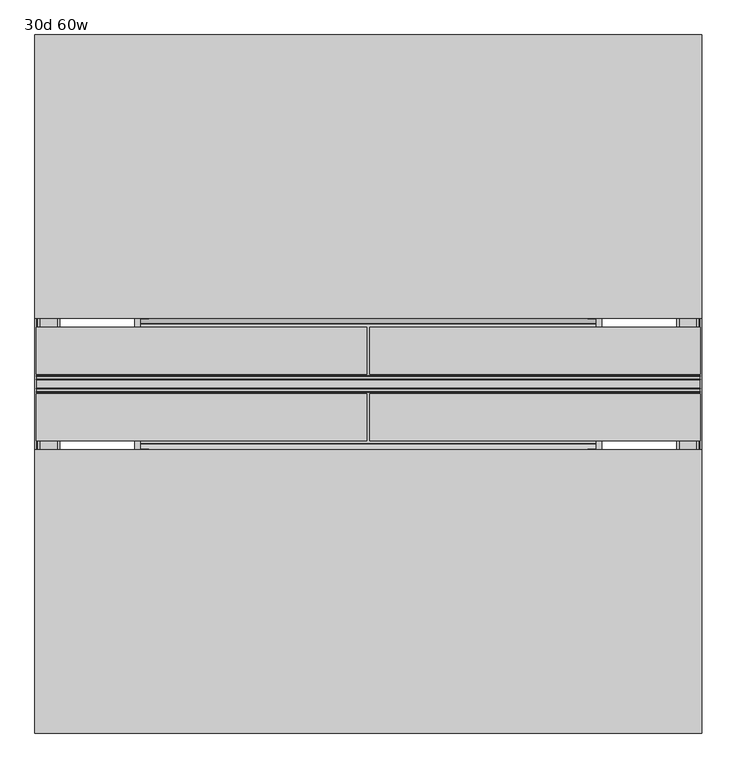
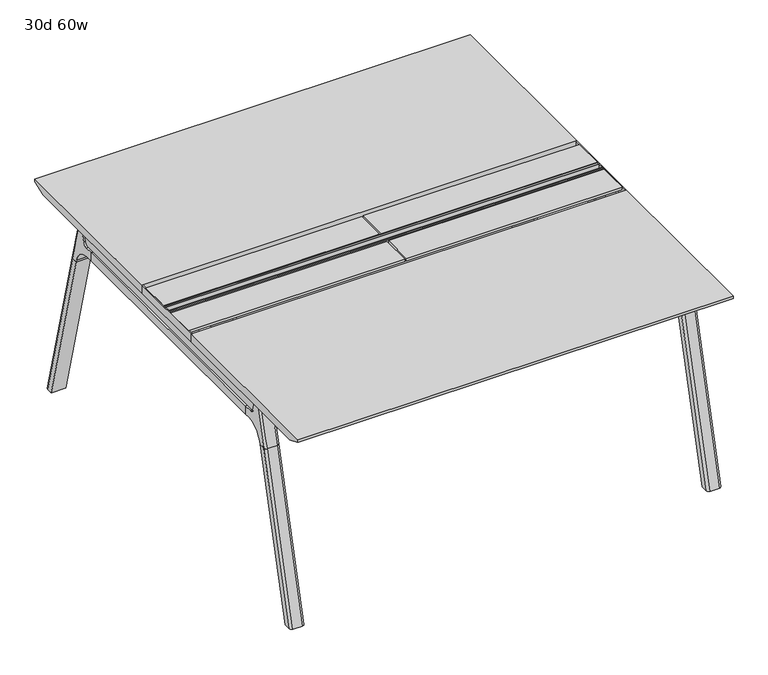
"""IFC4 building model written with IfcOpenShell, lengths in millimetres: furniture geometry, 30d 60w."""

from ifc_helpers import new_model, si_unit, point, frame, frame_2d, origin, place, context, project, spatial, polyline, circle_curve, ellipse_curve, trimmed, segment, composite_curve, outline, extrude, source, transform, mapped, element, save
from ifc_brep_helpers import plane_surface, cylinder_surface, revolved_surface, advanced_brep


def furniture_30d_60w_3e957220(model_context):
    return source(origin(), model_context, "Body", "SolidModel", [
        extrude(outline(polyline([(348.9784469, 559.4636683), (352.756725, 557.2647146), (352.756725, 549.3667827), (336.8817293, 521.8704736), (62.6252238, 521.8704736), (46.7502281, 549.3667827), (46.7502281, 557.2647146), (50.5285062, 559.4636683), (35.4662901, 627.7843353), (364.040663, 627.7843353), (348.9784469, 559.4636683)])), frame((736.6, 0.0, 0.0), z_axis=(1.0, 0.0, 0.0), x_axis=(0.0, 1.0, 0.0)), (0.0, 0.0, 1.0), 12.7),
        extrude(outline(polyline([(348.9784469, 559.4636683), (352.756725, 557.2647146), (352.756725, 549.3667827), (336.8817293, 521.8704736), (62.6252238, 521.8704736), (46.7502281, 549.3667827), (46.7502281, 557.2647146), (50.5285062, 559.4636683), (35.4662901, 627.7843353), (364.040663, 627.7843353), (348.9784469, 559.4636683)])), frame((-317.5, 0.0, 0.0), z_axis=(1.0, 0.0, 0.0), x_axis=(0.0, 1.0, 0.0)), (0.0, 0.0, 1.0), 12.7),
        extrude(outline(polyline([(18.0090763, 698.5), (20.404074, 696.1050023), (50.5285062, 559.4636683), (49.1186716, 559.1528512), (19.0070753, 695.7359626), (17.4495292, 697.2935087), (-3.7767266, 697.2935087), (-3.7767266, 698.5), (18.0090763, 698.5)])), frame((-317.5, 0.0, 0.0), z_axis=(1.0, 0.0, 0.0), x_axis=(0.0, 1.0, 0.0)), (0.0, 0.0, 1.0), 31.8008024),
        extrude(outline(polyline([(381.4978768, 698.5), (403.2836797, 698.5), (403.2836797, 697.2935087), (382.0574239, 697.2935087), (380.4998778, 695.7359626), (350.3882815, 559.1528512), (348.9784469, 559.4636683), (379.1028791, 696.1050023), (381.4978768, 698.5)])), frame((-317.5, 0.0, 0.0), z_axis=(1.0, 0.0, 0.0), x_axis=(0.0, 1.0, 0.0)), (0.0, 0.0, 1.0), 31.8008024),
        extrude(outline(polyline([(18.0090763, 698.5), (20.404074, 696.1050023), (50.5285062, 559.4636683), (49.1186716, 559.1528512), (19.0070753, 695.7359626), (17.4495292, 697.2935087), (-3.7767266, 697.2935087), (-3.7767266, 698.5), (18.0090763, 698.5)])), frame((717.4991976, 0.0, 0.0), z_axis=(1.0, 0.0, 0.0), x_axis=(0.0, 1.0, 0.0)), (0.0, 0.0, 1.0), 31.8008024),
        extrude(outline(polyline([(381.4978768, 698.5), (403.2836797, 698.5), (403.2836797, 697.2935087), (382.0574239, 697.2935087), (380.4998778, 695.7359626), (350.3882815, 559.1528512), (348.9784469, 559.4636683), (379.1028791, 696.1050023), (381.4978768, 698.5)])), frame((717.4991976, 0.0, 0.0), z_axis=(1.0, 0.0, 0.0), x_axis=(0.0, 1.0, 0.0)), (0.0, 0.0, 1.0), 31.8008024),
        extrude(outline(polyline([(353.550475, 557.5934966), (353.550475, 549.2622828), (353.2714314, 548.2208856), (338.0201457, 521.8048744), (336.216395, 520.7634772), (63.2905581, 520.7634772), (61.4868074, 521.8048744), (46.2355217, 548.2208856), (45.9564781, 549.2622828), (45.9564781, 557.5934966), (47.9884761, 559.6254947), (48.5497421, 559.0642287), (46.7502281, 557.2647146), (46.7502281, 549.3667827), (46.9751786, 548.5272622), (62.0678729, 522.3859395), (63.503243, 521.5572272), (336.0037101, 521.5572272), (337.4390802, 522.3859395), (352.5317745, 548.5272622), (352.756725, 549.3667827), (352.756725, 557.2647146), (350.957211, 559.0642287), (351.518477, 559.6254947), (353.550475, 557.5934966)])), frame((-317.4492037, 0.0, 0.0), z_axis=(1.0, 0.0, 0.0), x_axis=(0.0, 1.0, 0.0)), (0.0, 0.0, 1.0), 1066.7492037),
        extrude(outline(polyline([(218.8034766, 715.9625), (180.7034766, 715.9625), (180.7034766, 741.3625), (182.2909766, 741.3625), (182.2909766, 720.725), (188.6409766, 720.725), (188.6409766, 741.3625), (190.2284766, 741.3625), (190.2284766, 717.55), (209.2784766, 717.55), (209.2784766, 741.3625), (210.8659766, 741.3625), (210.8659766, 720.725), (217.2159766, 720.725), (217.2159766, 741.3625), (218.8034766, 741.3625), (218.8034766, 715.9625)])), frame((-542.925, 0.0, 0.0), z_axis=(1.0, 0.0, 0.0), x_axis=(0.0, 1.0, 0.0)), (0.0, 0.0, 1.0), 1517.65),
        extrude(outline(composite_curve([segment(polyline([(-328.0902734, 711.2), (727.5972266, 711.2), (718.5391258, 677.3947076)]), True, "CONTINUOUS"), segment(trimmed(circle_curve(frame_2d((703.2050533, 681.5034599)), 15.875), [point((718.5391258, 677.3947076))], [point((703.2050533, 665.6284599))], False, "CARTESIAN"), True, "CONTINUOUS"), segment(polyline([(703.2050533, 665.6284599), (-303.6981001, 665.6284599)]), True, "CONTINUOUS"), segment(trimmed(circle_curve(frame_2d((-303.6981001, 681.5034599)), 15.875), [point((-303.6981001, 665.6284599))], [point((-319.0321726, 677.3947076))], False, "CARTESIAN"), True, "CONTINUOUS"), segment(polyline([(-319.0321726, 677.3947076), (-328.0902734, 711.2)]), True, "CONTINUOUS")], self_intersect=False)), frame((927.1, 0.0, 0.0), z_axis=(1.0, 0.0, 0.0), x_axis=(0.0, 1.0, 0.0)), (0.0, 0.0, 1.0), 38.1),
        extrude(outline(polyline([(971.55, -267.7652734), (920.75, -267.7652734), (920.75, 667.2722266), (971.55, 667.2722266), (971.55, -267.7652734)])), frame((0.0, 0.0, 635.6476591), z_axis=(0.0, 0.0, 1.0), x_axis=(1.0, 0.0, 0.0)), (0.0, 0.0, 1.0), 29.9808008),
        extrude(outline(composite_curve([segment(polyline([(-328.0902734, 711.2), (727.5972266, 711.2), (718.5391258, 677.3947076)]), True, "CONTINUOUS"), segment(trimmed(circle_curve(frame_2d((703.2050533, 681.5034599)), 15.875), [point((718.5391258, 677.3947076))], [point((703.2050533, 665.6284599))], False, "CARTESIAN"), True, "CONTINUOUS"), segment(polyline([(703.2050533, 665.6284599), (-303.6981001, 665.6284599)]), True, "CONTINUOUS"), segment(trimmed(circle_curve(frame_2d((-303.6981001, 681.5034599)), 15.875), [point((-303.6981001, 665.6284599))], [point((-319.0321726, 677.3947076))], False, "CARTESIAN"), True, "CONTINUOUS"), segment(polyline([(-319.0321726, 677.3947076), (-328.0902734, 711.2)]), True, "CONTINUOUS")], self_intersect=False)), frame((-533.4, 0.0, 0.0), z_axis=(1.0, 0.0, 0.0), x_axis=(0.0, 1.0, 0.0)), (0.0, 0.0, 1.0), 38.1),
        extrude(outline(polyline([(-488.95, -267.7652734), (-539.75, -267.7652734), (-539.75, 667.2722266), (-488.95, 667.2722266), (-488.95, -267.7652734)])), frame((0.0, 0.0, 635.6476591), z_axis=(0.0, 0.0, 1.0), x_axis=(1.0, 0.0, 0.0)), (0.0, 0.0, 1.0), 29.9808008),
        advanced_brep(
        [(920.75, 721.2935553, 711.2), (920.75, 742.7601017, 711.2), (920.75, 778.2087453, 576.6820411), (920.75, 757.1047754, 576.6820411), (920.75, 754.5465633, 586.2294189), (920.75, 690.1434588, 635.6476591), (920.75, 667.2722266, 635.6476591), (920.75, 667.2722266, 665.6284599), (920.75, 696.901382, 665.6284599), (920.75, 712.2354545, 677.3947076), (971.55, 757.1047754, 576.6820411), (971.55, 778.2087453, 576.6820411), (971.55, 742.7601017, 711.2), (971.55, 721.2935553, 711.2), (971.55, 712.2354545, 677.3947076), (971.55, 696.901382, 665.6284599), (971.55, 667.2722266, 665.6284599), (971.55, 667.2722266, 635.6476591), (971.55, 690.1434588, 635.6476591), (971.55, 754.5465633, 586.2294189), (965.2861838, 752.0149462, 711.2), (927.0138162, 752.0149462, 711.2), (930.275, 788.0589247, 576.6820411), (962.025, 788.0589247, 576.6820411)],
        [
            (0, 1),
            (1, 2),
            (2, 3),
            (3, 4),
            (4, 5, circle_curve(frame((920.75, 690.1434588, 568.9726591), z_axis=(1.0, 0.0, 0.0), x_axis=(0.0, 1.0, 0.0)), 66.675)),
            (5, 6),
            (6, 7),
            (7, 8),
            (8, 9, circle_curve(frame((920.75, 696.901382, 681.5034599), z_axis=(1.0, 0.0, 0.0), x_axis=(0.0, 1.0, 0.0)), 15.875)),
            (9, 0),
            (10, 11),
            (11, 12),
            (12, 13),
            (13, 14),
            (14, 15, circle_curve(frame((971.55, 696.901382, 681.5034599), z_axis=(-1.0, 0.0, 0.0), x_axis=(0.0, 1.0, 0.0)), 15.875)),
            (15, 16),
            (16, 17),
            (17, 18),
            (18, 19, circle_curve(frame((971.55, 690.1434588, 568.9726591), z_axis=(-1.0, 0.0, 0.0), x_axis=(0.0, 1.0, 0.0)), 66.675)),
            (19, 10),
            (12, 20, ellipse_curve(frame((962.025, 742.7601017, 711.2), z_axis=(0.0, 0.0, 1.0), x_axis=(0.0, 1.0, 0.0)), 9.8501793, 9.525)),
            (20, 21),
            (21, 1, ellipse_curve(frame((930.275, 742.7601017, 711.2), z_axis=(0.0, 0.0, 1.0), x_axis=(0.0, 1.0, 0.0)), 9.8501793, 9.525)),
            (0, 13),
            (9, 14),
            (8, 15),
            (7, 16),
            (6, 17),
            (5, 18),
            (4, 19),
            (3, 10),
            (2, 22, ellipse_curve(frame((930.275, 778.2087453, 576.6820411), z_axis=(0.0, 0.0, -1.0), x_axis=(0.0, 1.0, 0.0)), 9.8501793, 9.525)),
            (22, 23),
            (23, 11, ellipse_curve(frame((962.025, 778.2087453, 576.6820411), z_axis=(0.0, 0.0, -1.0), x_axis=(0.0, 1.0, 0.0)), 9.8501793, 9.525)),
            (20, 23, ellipse_curve(frame((962.025, 191.6892106, 2802.3641142), z_axis=(0.0, 0.9659258262890684, 0.2588190451025206), x_axis=(0.0, 0.2588190451025206, -0.9659258262890684)), 2304.1956354, 9.525)),
            (22, 21, ellipse_curve(frame((930.275, 191.6892106, 2802.3641142), z_axis=(0.0, 0.9659258262890684, 0.2588190451025206), x_axis=(0.0, 0.2588190451025206, -0.9659258262890684)), 2304.1956354, 9.525)),
        ],
        [
            plane_surface(frame((920.75, 752.0149462, 711.2), z_axis=(-1.0, 0.0, 0.0), x_axis=(0.0, -1.0, 0.0))),
            plane_surface(frame((971.55, 752.0149462, 711.2), z_axis=(1.0, 0.0, 0.0), x_axis=(0.0, 1.0, 0.0))),
            plane_surface(frame((920.75, 752.0149462, 711.2), z_axis=(0.0, 0.0, 1.0), x_axis=(1.0, 0.0, 0.0))),
            plane_surface(frame((920.75, 721.2935553, 711.2), z_axis=(0.0, -0.9659258262890683, 0.2588190451025207), x_axis=(1.0, 0.0, 0.0))),
            revolved_surface(polyline([(971.55, 712.776382, 681.5034599), (920.75, 712.776382, 681.5034599)]), (971.55, 696.901382, 681.5034599), (1.0, 0.0, 0.0)),
            plane_surface(frame((920.75, 696.901382, 665.6284599), z_axis=(0.0, 0.0, 1.0), x_axis=(1.0, 0.0, 0.0))),
            plane_surface(frame((920.75, 667.2722266, 665.6284599), z_axis=(0.0, -1.0, 0.0), x_axis=(1.0, 0.0, 0.0))),
            plane_surface(frame((920.75, 667.2722266, 635.6476591), z_axis=(0.0, 0.0, -1.0), x_axis=(1.0, 0.0, 0.0))),
            revolved_surface(polyline([(971.55, 756.8184587999999, 568.9726591), (920.75, 756.8184587999999, 568.9726591)]), (971.55, 690.1434588, 568.9726591), (1.0, 0.0, 0.0)),
            plane_surface(frame((920.75, 754.5465633, 586.2294189), z_axis=(0.0, -0.9659258262890693, -0.25881904510251696), x_axis=(1.0, 0.0, 0.0))),
            plane_surface(frame((920.75, 757.1047754, 576.6820411), z_axis=(0.0, 0.0, -1.0), x_axis=(1.0, 0.0, 0.0))),
            plane_surface(frame((920.75, 788.0589247, 576.6820411), z_axis=(0.0, 0.9659258262890684, 0.2588190451025206), x_axis=(1.0, 0.0, 0.0))),
            cylinder_surface(frame((930.275, 930.8176402, -2.4271979), z_axis=(0.0, 0.25482392474081483, -0.966987470125486), x_axis=(1.0, 0.0, 0.0)), 9.525),
            cylinder_surface(frame((962.025, 930.8176402, -2.4271979), z_axis=(0.0, 0.25482392474081483, -0.966987470125486), x_axis=(1.0, 0.0, 0.0)), 9.525),
        ],
        [
            (0, [[1, 2, 3, 4, 5, 6, 7, 8, 9, 10]]),
            (1, [[11, 12, 13, 14, 15, 16, 17, 18, 19, 20]]),
            (2, [[-13, 21, 22, 23, -1, 24]]),
            (3, [[25, -14, -24, -10]]),
            (4, [[26, -15, -25, -9]]),
            (5, [[27, -16, -26, -8]]),
            (6, [[28, -17, -27, -7]]),
            (7, [[29, -18, -28, -6]]),
            (8, [[30, -19, -29, -5]]),
            (9, [[31, -20, -30, -4]]),
            (10, [[-3, 32, 33, 34, -11, -31]]),
            (11, [[35, -33, 36, -22]]),
            (12, [[-23, -36, -32, -2]]),
            (13, [[-34, -35, -21, -12]]),
        ],
    ),
        advanced_brep(
        [(920.75, 757.1047754, 576.6820411), (920.75, 778.2087453, 576.6820411), (920.75, 930.1780165, 0.0), (920.75, 909.0740466, 0.0), (971.55, 909.0740466, 0.0), (971.55, 930.1780165, 0.0), (971.55, 778.2087453, 576.6820411), (971.55, 757.1047754, 576.6820411), (962.025, 788.0589247, 576.6820411), (930.275, 788.0589247, 576.6820411), (930.275, 940.0281958, 0.0), (962.025, 940.0281958, 0.0)],
        [
            (0, 1),
            (1, 2),
            (2, 3),
            (3, 0),
            (4, 5),
            (5, 6),
            (6, 7),
            (7, 4),
            (6, 8, ellipse_curve(frame((962.025, 778.2087453, 576.6820411), z_axis=(0.0, 0.0, 1.0), x_axis=(0.0, 1.0, 0.0)), 9.8501793, 9.525)),
            (8, 9),
            (9, 1, ellipse_curve(frame((930.275, 778.2087453, 576.6820411), z_axis=(0.0, 0.0, 1.0), x_axis=(0.0, 1.0, 0.0)), 9.8501793, 9.525)),
            (0, 7),
            (3, 4),
            (2, 10, ellipse_curve(frame((930.275, 930.1780165, 0.0), z_axis=(0.0, 0.0, -1.0), x_axis=(0.0, 1.0, 0.0)), 9.8501793, 9.525)),
            (10, 11),
            (11, 5, ellipse_curve(frame((962.025, 930.1780165, 0.0), z_axis=(0.0, 0.0, -1.0), x_axis=(0.0, 1.0, 0.0)), 9.8501793, 9.525)),
            (8, 11),
            (10, 9),
        ],
        [
            plane_surface(frame((920.75, 788.0589247, 576.6820411), z_axis=(-1.0, 0.0, 0.0), x_axis=(0.0, -1.0, 0.0))),
            plane_surface(frame((971.55, 788.0589247, 576.6820411), z_axis=(1.0, 0.0, 0.0), x_axis=(0.0, 1.0, 0.0))),
            plane_surface(frame((920.75, 788.0589247, 576.6820411), z_axis=(0.0, 0.0, 1.0), x_axis=(1.0, 0.0, 0.0))),
            plane_surface(frame((920.75, 757.1047754, 576.6820411), z_axis=(0.0, -0.9669874701254844, -0.2548239247408208), x_axis=(1.0, 0.0, 0.0))),
            plane_surface(frame((920.75, 909.0740466, 0.0), z_axis=(0.0, 0.0, -1.0), x_axis=(1.0, 0.0, 0.0))),
            plane_surface(frame((920.75, 940.0281958, 0.0), z_axis=(0.0, 0.9669874701254855, 0.2548239247408166), x_axis=(1.0, 0.0, 0.0))),
            cylinder_surface(frame((930.275, 930.8176402, -2.4271979), z_axis=(0.0, 0.25482392474081483, -0.966987470125486), x_axis=(1.0, 0.0, 0.0)), 9.525),
            cylinder_surface(frame((962.025, 930.8176402, -2.4271979), z_axis=(0.0, 0.25482392474081483, -0.966987470125486), x_axis=(1.0, 0.0, 0.0)), 9.525),
        ],
        [
            (0, [[1, 2, 3, 4]]),
            (1, [[5, 6, 7, 8]]),
            (2, [[-7, 9, 10, 11, -1, 12]]),
            (3, [[13, -8, -12, -4]]),
            (4, [[-3, 14, 15, 16, -5, -13]]),
            (5, [[17, -15, 18, -10]]),
            (6, [[-11, -18, -14, -2]]),
            (7, [[-16, -17, -9, -6]]),
        ],
    ),
        advanced_brep(
        [(971.55, -321.7866022, 711.2), (971.55, -343.2531486, 711.2), (971.55, -378.7017922, 576.6820411), (971.55, -357.5978223, 576.6820411), (971.55, -355.0396101, 586.2294189), (971.55, -290.6365057, 635.6476591), (971.55, -267.7652734, 635.6476591), (971.55, -267.7652734, 665.6284599), (971.55, -297.3944289, 665.6284599), (971.55, -312.7285014, 677.3947076), (920.75, -357.5978223, 576.6820411), (920.75, -378.7017922, 576.6820411), (920.75, -343.2531486, 711.2), (920.75, -321.7866022, 711.2), (920.75, -312.7285014, 677.3947076), (920.75, -297.3944289, 665.6284599), (920.75, -267.7652734, 665.6284599), (920.75, -267.7652734, 635.6476591), (920.75, -290.6365057, 635.6476591), (920.75, -355.0396101, 586.2294189), (927.0138162, -352.5079931, 711.2), (965.2861838, -352.5079931, 711.2), (962.025, -388.5519716, 576.6820411), (930.275, -388.5519716, 576.6820411)],
        [
            (0, 1),
            (1, 2),
            (2, 3),
            (3, 4),
            (4, 5, circle_curve(frame((971.55, -290.6365057, 568.9726591), z_axis=(-1.0, 0.0, 0.0), x_axis=(0.0, -1.0, 0.0)), 66.675)),
            (5, 6),
            (6, 7),
            (7, 8),
            (8, 9, circle_curve(frame((971.55, -297.3944289, 681.5034599), z_axis=(-1.0, 0.0, 0.0), x_axis=(0.0, -1.0, 0.0)), 15.875)),
            (9, 0),
            (10, 11),
            (11, 12),
            (12, 13),
            (13, 14),
            (14, 15, circle_curve(frame((920.75, -297.3944289, 681.5034599), z_axis=(1.0, 0.0, 0.0), x_axis=(0.0, -1.0, 0.0)), 15.875)),
            (15, 16),
            (16, 17),
            (17, 18),
            (18, 19, circle_curve(frame((920.75, -290.6365057, 568.9726591), z_axis=(1.0, 0.0, 0.0), x_axis=(0.0, -1.0, 0.0)), 66.675)),
            (19, 10),
            (12, 20, ellipse_curve(frame((930.275, -343.2531486, 711.2), z_axis=(0.0, 0.0, 1.0), x_axis=(0.0, -1.0, 0.0)), 9.8501793, 9.525)),
            (20, 21),
            (21, 1, ellipse_curve(frame((962.025, -343.2531486, 711.2), z_axis=(0.0, 0.0, 1.0), x_axis=(0.0, -1.0, 0.0)), 9.8501793, 9.525)),
            (0, 13),
            (9, 14),
            (8, 15),
            (7, 16),
            (6, 17),
            (5, 18),
            (4, 19),
            (3, 10),
            (2, 22, ellipse_curve(frame((962.025, -378.7017922, 576.6820411), z_axis=(0.0, 0.0, -1.0), x_axis=(0.0, -1.0, 0.0)), 9.8501793, 9.525)),
            (22, 23),
            (23, 11, ellipse_curve(frame((930.275, -378.7017922, 576.6820411), z_axis=(0.0, 0.0, -1.0), x_axis=(0.0, -1.0, 0.0)), 9.8501793, 9.525)),
            (20, 23, ellipse_curve(frame((930.275, 207.8177425, 2802.3641142), z_axis=(0.0, -0.9659258262890684, 0.2588190451025206), x_axis=(0.0, -0.2588190451025206, -0.9659258262890684)), 2304.1956354, 9.525)),
            (22, 21, ellipse_curve(frame((962.025, 207.8177425, 2802.3641142), z_axis=(0.0, -0.9659258262890684, 0.2588190451025206), x_axis=(0.0, -0.2588190451025206, -0.9659258262890684)), 2304.1956354, 9.525)),
        ],
        [
            plane_surface(frame((971.55, -352.5079931, 711.2), z_axis=(1.0, 0.0, 0.0), x_axis=(0.0, 1.0, 0.0))),
            plane_surface(frame((920.75, -352.5079931, 711.2), z_axis=(-1.0, 0.0, 0.0), x_axis=(0.0, -1.0, 0.0))),
            plane_surface(frame((971.55, -352.5079931, 711.2), z_axis=(0.0, 0.0, 1.0), x_axis=(-1.0, 0.0, 0.0))),
            plane_surface(frame((971.55, -321.7866022, 711.2), z_axis=(0.0, 0.9659258262890683, 0.2588190451025207), x_axis=(-1.0, 0.0, 0.0))),
            revolved_surface(polyline([(920.75, -313.2694289, 681.5034599), (971.55, -313.2694289, 681.5034599)]), (920.75, -297.3944289, 681.5034599), (-1.0, 0.0, 0.0)),
            plane_surface(frame((971.55, -297.3944289, 665.6284599), z_axis=(0.0, 0.0, 1.0), x_axis=(-1.0, 0.0, 0.0))),
            plane_surface(frame((971.55, -267.7652734, 665.6284599), z_axis=(0.0, 1.0, 0.0), x_axis=(-1.0, 0.0, 0.0))),
            plane_surface(frame((971.55, -267.7652734, 635.6476591), z_axis=(0.0, 0.0, -1.0), x_axis=(-1.0, 0.0, 0.0))),
            revolved_surface(polyline([(920.75, -357.3115057, 568.9726591), (971.55, -357.3115057, 568.9726591)]), (920.75, -290.6365057, 568.9726591), (-1.0, 0.0, 0.0)),
            plane_surface(frame((971.55, -355.0396101, 586.2294189), z_axis=(0.0, 0.9659258262890693, -0.25881904510251696), x_axis=(-1.0, 0.0, 0.0))),
            plane_surface(frame((971.55, -357.5978223, 576.6820411), z_axis=(0.0, 0.0, -1.0), x_axis=(-1.0, 0.0, 0.0))),
            plane_surface(frame((971.55, -388.5519716, 576.6820411), z_axis=(0.0, -0.9659258262890684, 0.2588190451025206), x_axis=(-1.0, 0.0, 0.0))),
            cylinder_surface(frame((962.025, -531.3106871, -2.4271979), z_axis=(0.0, -0.25482392474081483, -0.966987470125486), x_axis=(-1.0, 0.0, 0.0)), 9.525),
            cylinder_surface(frame((930.275, -531.3106871, -2.4271979), z_axis=(0.0, -0.25482392474081483, -0.966987470125486), x_axis=(-1.0, 0.0, 0.0)), 9.525),
        ],
        [
            (0, [[1, 2, 3, 4, 5, 6, 7, 8, 9, 10]]),
            (1, [[11, 12, 13, 14, 15, 16, 17, 18, 19, 20]]),
            (2, [[-13, 21, 22, 23, -1, 24]]),
            (3, [[25, -14, -24, -10]]),
            (4, [[26, -15, -25, -9]]),
            (5, [[27, -16, -26, -8]]),
            (6, [[28, -17, -27, -7]]),
            (7, [[29, -18, -28, -6]]),
            (8, [[30, -19, -29, -5]]),
            (9, [[31, -20, -30, -4]]),
            (10, [[-3, 32, 33, 34, -11, -31]]),
            (11, [[35, -33, 36, -22]]),
            (12, [[-23, -36, -32, -2]]),
            (13, [[-34, -35, -21, -12]]),
        ],
    ),
        advanced_brep(
        [(971.55, -357.5978223, 576.6820411), (971.55, -378.7017922, 576.6820411), (971.55, -530.6710634, 0.0), (971.55, -509.5670935, 0.0), (920.75, -509.5670935, 0.0), (920.75, -530.6710634, 0.0), (920.75, -378.7017922, 576.6820411), (920.75, -357.5978223, 576.6820411), (930.275, -388.5519716, 576.6820411), (962.025, -388.5519716, 576.6820411), (962.025, -540.5212427, 0.0), (930.275, -540.5212427, 0.0)],
        [
            (0, 1),
            (1, 2),
            (2, 3),
            (3, 0),
            (4, 5),
            (5, 6),
            (6, 7),
            (7, 4),
            (6, 8, ellipse_curve(frame((930.275, -378.7017922, 576.6820411), z_axis=(0.0, 0.0, 1.0), x_axis=(0.0, -1.0, 0.0)), 9.8501793, 9.525)),
            (8, 9),
            (9, 1, ellipse_curve(frame((962.025, -378.7017922, 576.6820411), z_axis=(0.0, 0.0, 1.0), x_axis=(0.0, -1.0, 0.0)), 9.8501793, 9.525)),
            (0, 7),
            (3, 4),
            (2, 10, ellipse_curve(frame((962.025, -530.6710634, 0.0), z_axis=(0.0, 0.0, -1.0), x_axis=(0.0, -1.0, 0.0)), 9.8501793, 9.525)),
            (10, 11),
            (11, 5, ellipse_curve(frame((930.275, -530.6710634, 0.0), z_axis=(0.0, 0.0, -1.0), x_axis=(0.0, -1.0, 0.0)), 9.8501793, 9.525)),
            (8, 11),
            (10, 9),
        ],
        [
            plane_surface(frame((971.55, -388.5519716, 576.6820411), z_axis=(1.0, 0.0, 0.0), x_axis=(0.0, 1.0, 0.0))),
            plane_surface(frame((920.75, -388.5519716, 576.6820411), z_axis=(-1.0, 0.0, 0.0), x_axis=(0.0, -1.0, 0.0))),
            plane_surface(frame((971.55, -388.5519716, 576.6820411), z_axis=(0.0, 0.0, 1.0), x_axis=(-1.0, 0.0, 0.0))),
            plane_surface(frame((971.55, -357.5978223, 576.6820411), z_axis=(0.0, 0.9669874701254844, -0.2548239247408208), x_axis=(-1.0, 0.0, 0.0))),
            plane_surface(frame((971.55, -509.5670935, 0.0), z_axis=(0.0, 0.0, -1.0), x_axis=(-1.0, 0.0, 0.0))),
            plane_surface(frame((971.55, -540.5212427, 0.0), z_axis=(0.0, -0.9669874701254855, 0.2548239247408166), x_axis=(-1.0, 0.0, 0.0))),
            cylinder_surface(frame((962.025, -531.3106871, -2.4271979), z_axis=(0.0, -0.25482392474081483, -0.966987470125486), x_axis=(-1.0, 0.0, 0.0)), 9.525),
            cylinder_surface(frame((930.275, -531.3106871, -2.4271979), z_axis=(0.0, -0.25482392474081483, -0.966987470125486), x_axis=(-1.0, 0.0, 0.0)), 9.525),
        ],
        [
            (0, [[1, 2, 3, 4]]),
            (1, [[5, 6, 7, 8]]),
            (2, [[-7, 9, 10, 11, -1, 12]]),
            (3, [[13, -8, -12, -4]]),
            (4, [[-3, 14, 15, 16, -5, -13]]),
            (5, [[17, -15, 18, -10]]),
            (6, [[-11, -18, -14, -2]]),
            (7, [[-16, -17, -9, -6]]),
        ],
    ),
        advanced_brep(
        [(-488.95, -321.7866022, 711.2), (-488.95, -343.2531486, 711.2), (-488.95, -378.7017922, 576.6820411), (-488.95, -357.5978223, 576.6820411), (-488.95, -355.0396101, 586.2294189), (-488.95, -290.6365057, 635.6476591), (-488.95, -267.7652734, 635.6476591), (-488.95, -267.7652734, 665.6284599), (-488.95, -297.3944289, 665.6284599), (-488.95, -312.7285014, 677.3947076), (-539.75, -357.5978223, 576.6820411), (-539.75, -378.7017922, 576.6820411), (-539.75, -343.2531486, 711.2), (-539.75, -321.7866022, 711.2), (-539.75, -312.7285014, 677.3947076), (-539.75, -297.3944289, 665.6284599), (-539.75, -267.7652734, 665.6284599), (-539.75, -267.7652734, 635.6476591), (-539.75, -290.6365057, 635.6476591), (-539.75, -355.0396101, 586.2294189), (-533.4861838, -352.5079931, 711.2), (-495.2138162, -352.5079931, 711.2), (-498.475, -388.5519716, 576.6820411), (-530.225, -388.5519716, 576.6820411)],
        [
            (0, 1),
            (1, 2),
            (2, 3),
            (3, 4),
            (4, 5, circle_curve(frame((-488.95, -290.6365057, 568.9726591), z_axis=(-1.0, 0.0, 0.0), x_axis=(0.0, -1.0, 0.0)), 66.675)),
            (5, 6),
            (6, 7),
            (7, 8),
            (8, 9, circle_curve(frame((-488.95, -297.3944289, 681.5034599), z_axis=(-1.0, 0.0, 0.0), x_axis=(0.0, -1.0, 0.0)), 15.875)),
            (9, 0),
            (10, 11),
            (11, 12),
            (12, 13),
            (13, 14),
            (14, 15, circle_curve(frame((-539.75, -297.3944289, 681.5034599), z_axis=(1.0, 0.0, 0.0), x_axis=(0.0, -1.0, 0.0)), 15.875)),
            (15, 16),
            (16, 17),
            (17, 18),
            (18, 19, circle_curve(frame((-539.75, -290.6365057, 568.9726591), z_axis=(1.0, 0.0, 0.0), x_axis=(0.0, -1.0, 0.0)), 66.675)),
            (19, 10),
            (12, 20, ellipse_curve(frame((-530.225, -343.2531486, 711.2), z_axis=(0.0, 0.0, 1.0), x_axis=(0.0, -1.0, 0.0)), 9.8501793, 9.525)),
            (20, 21),
            (21, 1, ellipse_curve(frame((-498.475, -343.2531486, 711.2), z_axis=(0.0, 0.0, 1.0), x_axis=(0.0, -1.0, 0.0)), 9.8501793, 9.525)),
            (0, 13),
            (9, 14),
            (8, 15),
            (7, 16),
            (6, 17),
            (5, 18),
            (4, 19),
            (3, 10),
            (2, 22, ellipse_curve(frame((-498.475, -378.7017922, 576.6820411), z_axis=(0.0, 0.0, -1.0), x_axis=(0.0, -1.0, 0.0)), 9.8501793, 9.525)),
            (22, 23),
            (23, 11, ellipse_curve(frame((-530.225, -378.7017922, 576.6820411), z_axis=(0.0, 0.0, -1.0), x_axis=(0.0, -1.0, 0.0)), 9.8501793, 9.525)),
            (20, 23, ellipse_curve(frame((-530.225, 207.8177425, 2802.3641142), z_axis=(0.0, -0.9659258262890684, 0.2588190451025206), x_axis=(0.0, -0.2588190451025206, -0.9659258262890684)), 2304.1956354, 9.525)),
            (22, 21, ellipse_curve(frame((-498.475, 207.8177425, 2802.3641142), z_axis=(0.0, -0.9659258262890684, 0.2588190451025206), x_axis=(0.0, -0.2588190451025206, -0.9659258262890684)), 2304.1956354, 9.525)),
        ],
        [
            plane_surface(frame((-488.95, -352.5079931, 711.2), z_axis=(1.0, 0.0, 0.0), x_axis=(0.0, 1.0, 0.0))),
            plane_surface(frame((-539.75, -352.5079931, 711.2), z_axis=(-1.0, 0.0, 0.0), x_axis=(0.0, -1.0, 0.0))),
            plane_surface(frame((-488.95, -352.5079931, 711.2), z_axis=(0.0, 0.0, 1.0), x_axis=(-1.0, 0.0, 0.0))),
            plane_surface(frame((-488.95, -321.7866022, 711.2), z_axis=(0.0, 0.9659258262890683, 0.2588190451025207), x_axis=(-1.0, 0.0, 0.0))),
            revolved_surface(polyline([(-539.75, -313.2694289, 681.5034599), (-488.95, -313.2694289, 681.5034599)]), (-539.75, -297.3944289, 681.5034599), (-1.0, 0.0, 0.0)),
            plane_surface(frame((-488.95, -297.3944289, 665.6284599), z_axis=(0.0, 0.0, 1.0), x_axis=(-1.0, 0.0, 0.0))),
            plane_surface(frame((-488.95, -267.7652734, 665.6284599), z_axis=(0.0, 1.0, 0.0), x_axis=(-1.0, 0.0, 0.0))),
            plane_surface(frame((-488.95, -267.7652734, 635.6476591), z_axis=(0.0, 0.0, -1.0), x_axis=(-1.0, 0.0, 0.0))),
            revolved_surface(polyline([(-539.75, -357.3115057, 568.9726591), (-488.95, -357.3115057, 568.9726591)]), (-539.75, -290.6365057, 568.9726591), (-1.0, 0.0, 0.0)),
            plane_surface(frame((-488.95, -355.0396101, 586.2294189), z_axis=(0.0, 0.9659258262890693, -0.25881904510251696), x_axis=(-1.0, 0.0, 0.0))),
            plane_surface(frame((-488.95, -357.5978223, 576.6820411), z_axis=(0.0, 0.0, -1.0), x_axis=(-1.0, 0.0, 0.0))),
            plane_surface(frame((-488.95, -388.5519716, 576.6820411), z_axis=(0.0, -0.9659258262890684, 0.2588190451025206), x_axis=(-1.0, 0.0, 0.0))),
            cylinder_surface(frame((-498.475, -531.3106871, -2.4271979), z_axis=(0.0, -0.25482392474081483, -0.966987470125486), x_axis=(-1.0, 0.0, 0.0)), 9.525),
            cylinder_surface(frame((-530.225, -531.3106871, -2.4271979), z_axis=(0.0, -0.25482392474081483, -0.966987470125486), x_axis=(-1.0, 0.0, 0.0)), 9.525),
        ],
        [
            (0, [[1, 2, 3, 4, 5, 6, 7, 8, 9, 10]]),
            (1, [[11, 12, 13, 14, 15, 16, 17, 18, 19, 20]]),
            (2, [[-13, 21, 22, 23, -1, 24]]),
            (3, [[25, -14, -24, -10]]),
            (4, [[26, -15, -25, -9]]),
            (5, [[27, -16, -26, -8]]),
            (6, [[28, -17, -27, -7]]),
            (7, [[29, -18, -28, -6]]),
            (8, [[30, -19, -29, -5]]),
            (9, [[31, -20, -30, -4]]),
            (10, [[-3, 32, 33, 34, -11, -31]]),
            (11, [[35, -33, 36, -22]]),
            (12, [[-23, -36, -32, -2]]),
            (13, [[-34, -35, -21, -12]]),
        ],
    ),
        advanced_brep(
        [(-488.95, -357.5978223, 576.6820411), (-488.95, -378.7017922, 576.6820411), (-488.95, -530.6710634, 0.0), (-488.95, -509.5670935, 0.0), (-539.75, -509.5670935, 0.0), (-539.75, -530.6710634, 0.0), (-539.75, -378.7017922, 576.6820411), (-539.75, -357.5978223, 576.6820411), (-530.225, -388.5519716, 576.6820411), (-498.475, -388.5519716, 576.6820411), (-498.475, -540.5212427, 0.0), (-530.225, -540.5212427, 0.0)],
        [
            (0, 1),
            (1, 2),
            (2, 3),
            (3, 0),
            (4, 5),
            (5, 6),
            (6, 7),
            (7, 4),
            (6, 8, ellipse_curve(frame((-530.225, -378.7017922, 576.6820411), z_axis=(0.0, 0.0, 1.0), x_axis=(0.0, -1.0, 0.0)), 9.8501793, 9.525)),
            (8, 9),
            (9, 1, ellipse_curve(frame((-498.475, -378.7017922, 576.6820411), z_axis=(0.0, 0.0, 1.0), x_axis=(0.0, -1.0, 0.0)), 9.8501793, 9.525)),
            (0, 7),
            (3, 4),
            (2, 10, ellipse_curve(frame((-498.475, -530.6710634, 0.0), z_axis=(0.0, 0.0, -1.0), x_axis=(0.0, -1.0, 0.0)), 9.8501793, 9.525)),
            (10, 11),
            (11, 5, ellipse_curve(frame((-530.225, -530.6710634, 0.0), z_axis=(0.0, 0.0, -1.0), x_axis=(0.0, -1.0, 0.0)), 9.8501793, 9.525)),
            (8, 11),
            (10, 9),
        ],
        [
            plane_surface(frame((-488.95, -388.5519716, 576.6820411), z_axis=(1.0, 0.0, 0.0), x_axis=(0.0, 1.0, 0.0))),
            plane_surface(frame((-539.75, -388.5519716, 576.6820411), z_axis=(-1.0, 0.0, 0.0), x_axis=(0.0, -1.0, 0.0))),
            plane_surface(frame((-488.95, -388.5519716, 576.6820411), z_axis=(0.0, 0.0, 1.0), x_axis=(-1.0, 0.0, 0.0))),
            plane_surface(frame((-488.95, -357.5978223, 576.6820411), z_axis=(0.0, 0.9669874701254844, -0.2548239247408208), x_axis=(-1.0, 0.0, 0.0))),
            plane_surface(frame((-488.95, -509.5670935, 0.0), z_axis=(0.0, 0.0, -1.0), x_axis=(-1.0, 0.0, 0.0))),
            plane_surface(frame((-488.95, -540.5212427, 0.0), z_axis=(0.0, -0.9669874701254855, 0.2548239247408166), x_axis=(-1.0, 0.0, 0.0))),
            cylinder_surface(frame((-498.475, -531.3106871, -2.4271979), z_axis=(0.0, -0.25482392474081483, -0.966987470125486), x_axis=(-1.0, 0.0, 0.0)), 9.525),
            cylinder_surface(frame((-530.225, -531.3106871, -2.4271979), z_axis=(0.0, -0.25482392474081483, -0.966987470125486), x_axis=(-1.0, 0.0, 0.0)), 9.525),
        ],
        [
            (0, [[1, 2, 3, 4]]),
            (1, [[5, 6, 7, 8]]),
            (2, [[-7, 9, 10, 11, -1, 12]]),
            (3, [[13, -8, -12, -4]]),
            (4, [[-3, 14, 15, 16, -5, -13]]),
            (5, [[17, -15, 18, -10]]),
            (6, [[-11, -18, -14, -2]]),
            (7, [[-16, -17, -9, -6]]),
        ],
    ),
        advanced_brep(
        [(-539.75, 721.2935553, 711.2), (-539.75, 742.7601017, 711.2), (-539.75, 778.2087453, 576.6820411), (-539.75, 757.1047754, 576.6820411), (-539.75, 754.5465633, 586.2294189), (-539.75, 690.1434588, 635.6476591), (-539.75, 667.2722266, 635.6476591), (-539.75, 667.2722266, 665.6284599), (-539.75, 696.901382, 665.6284599), (-539.75, 712.2354545, 677.3947076), (-488.95, 757.1047754, 576.6820411), (-488.95, 778.2087453, 576.6820411), (-488.95, 742.7601017, 711.2), (-488.95, 721.2935553, 711.2), (-488.95, 712.2354545, 677.3947076), (-488.95, 696.901382, 665.6284599), (-488.95, 667.2722266, 665.6284599), (-488.95, 667.2722266, 635.6476591), (-488.95, 690.1434588, 635.6476591), (-488.95, 754.5465633, 586.2294189), (-495.2138162, 752.0149462, 711.2), (-533.4861838, 752.0149462, 711.2), (-530.225, 788.0589247, 576.6820411), (-498.475, 788.0589247, 576.6820411)],
        [
            (0, 1),
            (1, 2),
            (2, 3),
            (3, 4),
            (4, 5, circle_curve(frame((-539.75, 690.1434588, 568.9726591), z_axis=(1.0, 0.0, 0.0), x_axis=(0.0, 1.0, 0.0)), 66.675)),
            (5, 6),
            (6, 7),
            (7, 8),
            (8, 9, circle_curve(frame((-539.75, 696.901382, 681.5034599), z_axis=(1.0, 0.0, 0.0), x_axis=(0.0, 1.0, 0.0)), 15.875)),
            (9, 0),
            (10, 11),
            (11, 12),
            (12, 13),
            (13, 14),
            (14, 15, circle_curve(frame((-488.95, 696.901382, 681.5034599), z_axis=(-1.0, 0.0, 0.0), x_axis=(0.0, 1.0, 0.0)), 15.875)),
            (15, 16),
            (16, 17),
            (17, 18),
            (18, 19, circle_curve(frame((-488.95, 690.1434588, 568.9726591), z_axis=(-1.0, 0.0, 0.0), x_axis=(0.0, 1.0, 0.0)), 66.675)),
            (19, 10),
            (12, 20, ellipse_curve(frame((-498.475, 742.7601017, 711.2), z_axis=(0.0, 0.0, 1.0), x_axis=(0.0, 1.0, 0.0)), 9.8501793, 9.525)),
            (20, 21),
            (21, 1, ellipse_curve(frame((-530.225, 742.7601017, 711.2), z_axis=(0.0, 0.0, 1.0), x_axis=(0.0, 1.0, 0.0)), 9.8501793, 9.525)),
            (0, 13),
            (9, 14),
            (8, 15),
            (7, 16),
            (6, 17),
            (5, 18),
            (4, 19),
            (3, 10),
            (2, 22, ellipse_curve(frame((-530.225, 778.2087453, 576.6820411), z_axis=(0.0, 0.0, -1.0), x_axis=(0.0, 1.0, 0.0)), 9.8501793, 9.525)),
            (22, 23),
            (23, 11, ellipse_curve(frame((-498.475, 778.2087453, 576.6820411), z_axis=(0.0, 0.0, -1.0), x_axis=(0.0, 1.0, 0.0)), 9.8501793, 9.525)),
            (20, 23, ellipse_curve(frame((-498.475, 191.6892106, 2802.3641142), z_axis=(0.0, 0.9659258262890684, 0.2588190451025206), x_axis=(0.0, 0.2588190451025206, -0.9659258262890684)), 2304.1956354, 9.525)),
            (22, 21, ellipse_curve(frame((-530.225, 191.6892106, 2802.3641142), z_axis=(0.0, 0.9659258262890684, 0.2588190451025206), x_axis=(0.0, 0.2588190451025206, -0.9659258262890684)), 2304.1956354, 9.525)),
        ],
        [
            plane_surface(frame((-539.75, 752.0149462, 711.2), z_axis=(-1.0, 0.0, 0.0), x_axis=(0.0, -1.0, 0.0))),
            plane_surface(frame((-488.95, 752.0149462, 711.2), z_axis=(1.0, 0.0, 0.0), x_axis=(0.0, 1.0, 0.0))),
            plane_surface(frame((-539.75, 752.0149462, 711.2), z_axis=(0.0, 0.0, 1.0), x_axis=(1.0, 0.0, 0.0))),
            plane_surface(frame((-539.75, 721.2935553, 711.2), z_axis=(0.0, -0.9659258262890683, 0.2588190451025207), x_axis=(1.0, 0.0, 0.0))),
            revolved_surface(polyline([(-488.95, 712.776382, 681.5034599), (-539.75, 712.776382, 681.5034599)]), (-488.95, 696.901382, 681.5034599), (1.0, 0.0, 0.0)),
            plane_surface(frame((-539.75, 696.901382, 665.6284599), z_axis=(0.0, 0.0, 1.0), x_axis=(1.0, 0.0, 0.0))),
            plane_surface(frame((-539.75, 667.2722266, 665.6284599), z_axis=(0.0, -1.0, 0.0), x_axis=(1.0, 0.0, 0.0))),
            plane_surface(frame((-539.75, 667.2722266, 635.6476591), z_axis=(0.0, 0.0, -1.0), x_axis=(1.0, 0.0, 0.0))),
            revolved_surface(polyline([(-488.95, 756.8184587999999, 568.9726591), (-539.75, 756.8184587999999, 568.9726591)]), (-488.95, 690.1434588, 568.9726591), (1.0, 0.0, 0.0)),
            plane_surface(frame((-539.75, 754.5465633, 586.2294189), z_axis=(0.0, -0.9659258262890693, -0.25881904510251696), x_axis=(1.0, 0.0, 0.0))),
            plane_surface(frame((-539.75, 757.1047754, 576.6820411), z_axis=(0.0, 0.0, -1.0), x_axis=(1.0, 0.0, 0.0))),
            plane_surface(frame((-539.75, 788.0589247, 576.6820411), z_axis=(0.0, 0.9659258262890684, 0.2588190451025206), x_axis=(1.0, 0.0, 0.0))),
            cylinder_surface(frame((-530.225, 930.8176402, -2.4271979), z_axis=(0.0, 0.25482392474081483, -0.966987470125486), x_axis=(1.0, 0.0, 0.0)), 9.525),
            cylinder_surface(frame((-498.475, 930.8176402, -2.4271979), z_axis=(0.0, 0.25482392474081483, -0.966987470125486), x_axis=(1.0, 0.0, 0.0)), 9.525),
        ],
        [
            (0, [[1, 2, 3, 4, 5, 6, 7, 8, 9, 10]]),
            (1, [[11, 12, 13, 14, 15, 16, 17, 18, 19, 20]]),
            (2, [[-13, 21, 22, 23, -1, 24]]),
            (3, [[25, -14, -24, -10]]),
            (4, [[26, -15, -25, -9]]),
            (5, [[27, -16, -26, -8]]),
            (6, [[28, -17, -27, -7]]),
            (7, [[29, -18, -28, -6]]),
            (8, [[30, -19, -29, -5]]),
            (9, [[31, -20, -30, -4]]),
            (10, [[-3, 32, 33, 34, -11, -31]]),
            (11, [[35, -33, 36, -22]]),
            (12, [[-23, -36, -32, -2]]),
            (13, [[-34, -35, -21, -12]]),
        ],
    ),
        advanced_brep(
        [(-539.75, 757.1047754, 576.6820411), (-539.75, 778.2087453, 576.6820411), (-539.75, 930.1780165, 0.0), (-539.75, 909.0740466, 0.0), (-488.95, 909.0740466, 0.0), (-488.95, 930.1780165, 0.0), (-488.95, 778.2087453, 576.6820411), (-488.95, 757.1047754, 576.6820411), (-498.475, 788.0589247, 576.6820411), (-530.225, 788.0589247, 576.6820411), (-530.225, 940.0281958, 0.0), (-498.475, 940.0281958, 0.0)],
        [
            (0, 1),
            (1, 2),
            (2, 3),
            (3, 0),
            (4, 5),
            (5, 6),
            (6, 7),
            (7, 4),
            (6, 8, ellipse_curve(frame((-498.475, 778.2087453, 576.6820411), z_axis=(0.0, 0.0, 1.0), x_axis=(0.0, 1.0, 0.0)), 9.8501793, 9.525)),
            (8, 9),
            (9, 1, ellipse_curve(frame((-530.225, 778.2087453, 576.6820411), z_axis=(0.0, 0.0, 1.0), x_axis=(0.0, 1.0, 0.0)), 9.8501793, 9.525)),
            (0, 7),
            (3, 4),
            (2, 10, ellipse_curve(frame((-530.225, 930.1780165, 0.0), z_axis=(0.0, 0.0, -1.0), x_axis=(0.0, 1.0, 0.0)), 9.8501793, 9.525)),
            (10, 11),
            (11, 5, ellipse_curve(frame((-498.475, 930.1780165, 0.0), z_axis=(0.0, 0.0, -1.0), x_axis=(0.0, 1.0, 0.0)), 9.8501793, 9.525)),
            (8, 11),
            (10, 9),
        ],
        [
            plane_surface(frame((-539.75, 788.0589247, 576.6820411), z_axis=(-1.0, 0.0, 0.0), x_axis=(0.0, -1.0, 0.0))),
            plane_surface(frame((-488.95, 788.0589247, 576.6820411), z_axis=(1.0, 0.0, 0.0), x_axis=(0.0, 1.0, 0.0))),
            plane_surface(frame((-539.75, 788.0589247, 576.6820411), z_axis=(0.0, 0.0, 1.0), x_axis=(1.0, 0.0, 0.0))),
            plane_surface(frame((-539.75, 757.1047754, 576.6820411), z_axis=(0.0, -0.9669874701254844, -0.2548239247408208), x_axis=(1.0, 0.0, 0.0))),
            plane_surface(frame((-539.75, 909.0740466, 0.0), z_axis=(0.0, 0.0, -1.0), x_axis=(1.0, 0.0, 0.0))),
            plane_surface(frame((-539.75, 940.0281958, 0.0), z_axis=(0.0, 0.9669874701254855, 0.2548239247408166), x_axis=(1.0, 0.0, 0.0))),
            cylinder_surface(frame((-530.225, 930.8176402, -2.4271979), z_axis=(0.0, 0.25482392474081483, -0.966987470125486), x_axis=(1.0, 0.0, 0.0)), 9.525),
            cylinder_surface(frame((-498.475, 930.8176402, -2.4271979), z_axis=(0.0, 0.25482392474081483, -0.966987470125486), x_axis=(1.0, 0.0, 0.0)), 9.525),
        ],
        [
            (0, [[1, 2, 3, 4]]),
            (1, [[5, 6, 7, 8]]),
            (2, [[-7, 9, 10, 11, -1, 12]]),
            (3, [[13, -8, -12, -4]]),
            (4, [[-3, 14, 15, 16, -5, -13]]),
            (5, [[17, -15, 18, -10]]),
            (6, [[-11, -18, -14, -2]]),
            (7, [[-16, -17, -9, -6]]),
        ],
    ),
        extrude(outline(polyline([(49.7347266, 741.3625), (49.7347266, 711.2), (-547.1652734, 711.2), (-597.9652734, 731.8375), (-597.9652734, 741.3625), (49.7347266, 741.3625)])), frame((-546.1, 0.0, 0.0), z_axis=(1.0, 0.0, 0.0), x_axis=(0.0, 1.0, 0.0)), (0.0, 0.0, 1.0), 1524.0),
        extrude(outline(polyline([(997.4722266, 741.3625), (997.4722266, 731.8375), (946.6722266, 711.2), (349.7722266, 711.2), (349.7722266, 741.3625), (997.4722266, 741.3625)])), frame((-546.1, 0.0, 0.0), z_axis=(1.0, 0.0, 0.0), x_axis=(0.0, 1.0, 0.0)), (0.0, 0.0, 1.0), 1524.0),
        extrude(outline(polyline([(212.725, 69.5784766), (-542.925, 69.5784766), (-542.925, 177.5284766), (212.725, 177.5284766), (212.725, 69.5784766)])), frame((0.0, 0.0, 731.8375), z_axis=(0.0, 0.0, 1.0), x_axis=(1.0, 0.0, 0.0)), (0.0, 0.0, 1.0), 9.525),
        extrude(outline(polyline([(212.725, 221.9784766), (-542.925, 221.9784766), (-542.925, 329.9284766), (212.725, 329.9284766), (212.725, 221.9784766)])), frame((0.0, 0.0, 731.8375), z_axis=(0.0, 0.0, 1.0), x_axis=(1.0, 0.0, 0.0)), (0.0, 0.0, 1.0), 9.525),
        extrude(outline(polyline([(974.725, 69.5784766), (219.075, 69.5784766), (219.075, 177.5284766), (974.725, 177.5284766), (974.725, 69.5784766)])), frame((0.0, 0.0, 731.8375), z_axis=(0.0, 0.0, 1.0), x_axis=(1.0, 0.0, 0.0)), (0.0, 0.0, 1.0), 9.525),
        extrude(outline(polyline([(974.725, 221.9784766), (219.075, 221.9784766), (219.075, 329.9284766), (974.725, 329.9284766), (974.725, 221.9784766)])), frame((0.0, 0.0, 731.8375), z_axis=(0.0, 0.0, 1.0), x_axis=(1.0, 0.0, 0.0)), (0.0, 0.0, 1.0), 9.525),
        extrude(outline(polyline([(920.75, -9.7965234), (-488.95, -9.7965234), (-488.95, 21.9534766), (920.75, 21.9534766), (920.75, -9.7965234)])), frame((0.0, 0.0, 646.1125), z_axis=(0.0, 0.0, 1.0), x_axis=(1.0, 0.0, 0.0)), (0.0, 0.0, 1.0), 50.8),
        extrude(outline(polyline([(920.75, 377.5534766), (-488.95, 377.5534766), (-488.95, 409.3034766), (920.75, 409.3034766), (920.75, 377.5534766)])), frame((0.0, 0.0, 646.1125), z_axis=(0.0, 0.0, 1.0), x_axis=(1.0, 0.0, 0.0)), (0.0, 0.0, 1.0), 50.8),
        extrude(outline(polyline([(977.9, 49.7347266), (974.725, 49.7347266), (974.725, 349.7722266), (977.9, 349.7722266), (977.9, 49.7347266)])), frame((0.0, 0.0, 711.2), z_axis=(0.0, 0.0, 1.0), x_axis=(1.0, 0.0, 0.0)), (0.0, 0.0, 1.0), 30.1625),
        extrude(outline(polyline([(-542.925, 49.7347266), (-546.1, 49.7347266), (-546.1, 349.7722266), (-542.925, 349.7722266), (-542.925, 49.7347266)])), frame((0.0, 0.0, 711.2), z_axis=(0.0, 0.0, 1.0), x_axis=(1.0, 0.0, 0.0)), (0.0, 0.0, 1.0), 30.1625),
    ])


if __name__ == "__main__":
    model = new_model("IFC4")
    model_context = context("Model", 3, world=origin())
    ifc_project = project(units=[si_unit("LENGTHUNIT", "METRE", prefix="MILLI")], contexts=[model_context])
    site = spatial("IfcSite", under=ifc_project)
    building = spatial("IfcBuilding", under=site)
    placement = place(None, origin())
    furniture_30d_60w_shape = furniture_30d_60w_3e957220(model_context)
    element("IfcFurniture", 1, ObjectType="30d 60w", at=placement, inside=building, context=model_context, shape_type="MappedRepresentation", body=[
        mapped(furniture_30d_60w_shape, transform((0.0, 0.0, 0.0), x_axis=(1.0, 0.0, 0.0), y_axis=(0.0, 1.0, 0.0), z_axis=(0.0, 0.0, 1.0))),
    ])
    save(model, "model.ifc")
